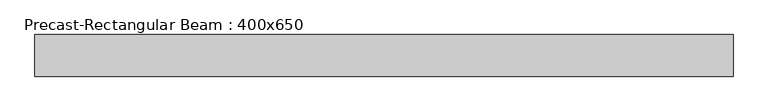
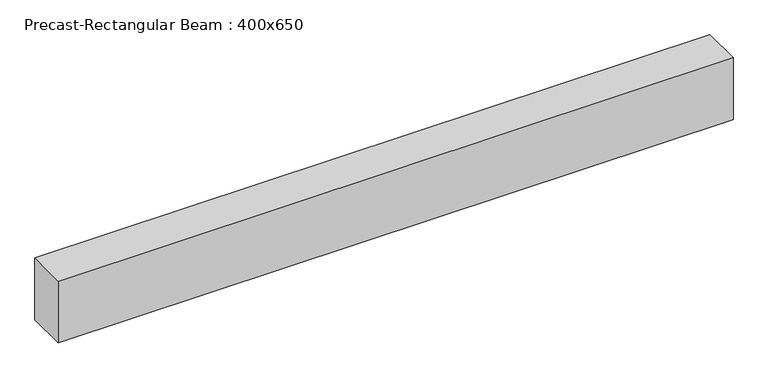
"""IFC4 building model written with IfcOpenShell, lengths in millimetres: beam geometry, Precast-Rectangular Beam : 400x650."""

from ifc_helpers import new_model, si_unit, frame, origin, place, context, project, spatial, polyline, outline, extrude, source, transform, mapped, element, save


def precast_rectangular_beam_400x650_7d421c02(model_context):
    return source(origin(), model_context, "Body", "SweptSolid", [
        extrude(outline(polyline([(-3355.0, -200.0), (-3355.0, 200.0), (3355.0, 200.0), (3355.0, -200.0), (-3355.0, -200.0)])), frame((0.0, 0.0, -325.0), z_axis=(0.0, 0.0, 1.0), x_axis=(1.0, 0.0, 0.0)), (0.0, 0.0, 1.0), 650.0),
    ])


if __name__ == "__main__":
    model = new_model("IFC4")
    model_context = context("Model", 3, world=origin())
    ifc_project = project(units=[si_unit("LENGTHUNIT", "METRE", prefix="MILLI")], contexts=[model_context])
    site = spatial("IfcSite", under=ifc_project)
    building = spatial("IfcBuilding", under=site)
    placement = place(None, origin())
    precast_rectangular_beam_400x650_shape = precast_rectangular_beam_400x650_7d421c02(model_context)
    element("IfcBeam", 1, ObjectType="Precast-Rectangular Beam : 400x650", at=placement, inside=building, context=model_context, shape_type="MappedRepresentation", body=[
        mapped(precast_rectangular_beam_400x650_shape, transform((0.0, 0.0, 0.0), x_axis=(1.0, 0.0, 0.0), y_axis=(0.0, 1.0, 0.0), z_axis=(0.0, 0.0, 1.0))),
    ])
    save(model, "model.ifc")
